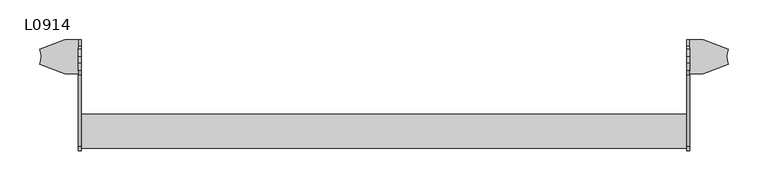
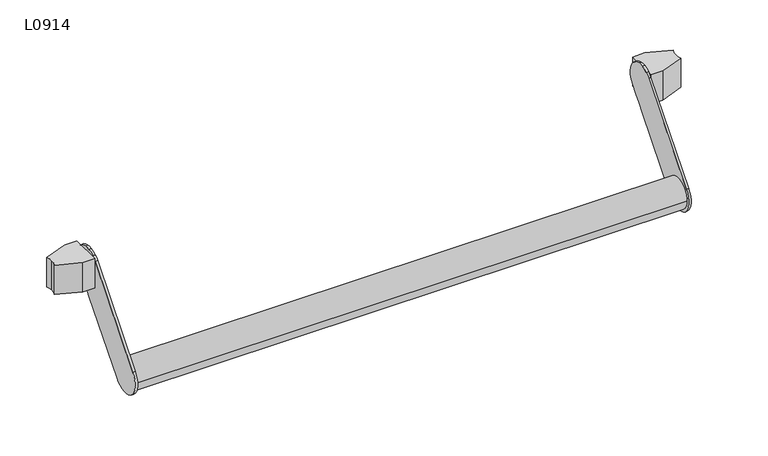
"""IFC4 building model written with IfcOpenShell, lengths in millimetres: proxy geometry, L0914."""

from ifc_helpers import new_model, si_unit, point, frame, frame_2d, origin, place, context, project, spatial, polyline, circle_curve, trimmed, segment, composite_curve, outline, extrude, source, transform, mapped, element, save
from ifc_brep_helpers import plane_surface, cylinder_surface, advanced_brep


def l0914_9f77748c(model_context):
    return source(origin(), model_context, "Body", "SolidModel", [
        extrude(outline(composite_curve([segment(polyline([(841.2841298, -17.9998512), (841.2841298, 25.0001488), (858.3249298, 25.0001488), (890.3669958, 12.8789725)]), True, "CONTINUOUS"), segment(trimmed(circle_curve(frame_2d((912.7841247, 3.5001488)), 24.3), [point((890.3669958, 12.8789725))], [point((888.4841247, 3.5001488))], True, "CARTESIAN"), True, "CONTINUOUS"), segment(trimmed(circle_curve(frame_2d((912.7841247, 3.5001488)), 24.3), [point((888.4841247, 3.5001488))], [point((890.3669958, -5.8786749))], True, "CARTESIAN"), True, "CONTINUOUS"), segment(polyline([(890.3669958, -5.8786749), (858.3249298, -17.9998512), (841.2841298, -17.9998512)]), True, "CONTINUOUS")], self_intersect=False)), frame((0.0, 0.0, -21.5), z_axis=(0.0, 0.0, 1.0), x_axis=(1.0, 0.0, 0.0)), (0.0, 0.0, 1.0), 43.0),
        extrude(outline(composite_curve([segment(polyline([(69.7954674, -17.9998512), (52.7546674, -17.9998512), (20.7126014, -5.8786749)]), True, "CONTINUOUS"), segment(trimmed(circle_curve(frame_2d((-1.7045275, 3.5001488)), 24.3), [point((20.7126014, -5.8786749))], [point((22.5954725, 3.5001488))], True, "CARTESIAN"), True, "CONTINUOUS"), segment(trimmed(circle_curve(frame_2d((-1.7045275, 3.5001488)), 24.3), [point((22.5954725, 3.5001488))], [point((20.7126014, 12.8789725))], True, "CARTESIAN"), True, "CONTINUOUS"), segment(polyline([(20.7126014, 12.8789725), (52.7546674, 25.0001488), (69.7954674, 25.0001488), (69.7954674, -17.9998512)]), True, "CONTINUOUS")], self_intersect=False)), frame((0.0, 0.0, -21.5), z_axis=(0.0, 0.0, 1.0), x_axis=(1.0, 0.0, 0.0)), (0.0, 0.0, 1.0), 43.0),
        advanced_brep(
        [(838.0841023, -71.4170946, -122.0320182), (838.0841023, -109.7540265, -89.9334299), (838.0841023, -19.1532386, 18.0674174), (838.0841023, -13.564759, 23.0001302), (838.0841023, -4.0000184, 26.6780861), (838.0841023, 4.0000533, 26.678085), (838.0841023, 13.5647929, 23.0001265), (838.0841023, 17.5001651, 19.8536704), (838.0841023, 19.1532686, -14.0675085), (838.0841023, 11.6596821, -23.0002552), (838.0841023, 4.0001362, -32.1309487), (838.0841023, -4.000061, -41.6673923), (841.2841298, -71.4170946, -122.0320182), (841.2841298, -4.000061, -41.6673923), (841.2841298, 4.0672955, -32.0506818), (841.2841298, 11.6596821, -23.0002552), (841.2841298, 19.1532686, -14.0675085), (841.2841298, 17.5001651, 19.8536704), (841.2841298, 13.5647929, 23.0001265), (841.2841298, 4.0000533, 26.678085), (841.2841298, -4.0000184, 26.6780861), (841.2841298, -13.564759, 23.0001302), (841.2841298, -19.1532386, 18.0674174), (841.2841298, -109.7540271, -89.9334352)],
        [
            (0, 1, circle_curve(frame((838.0841023, -90.600769, -106.0008883), z_axis=(-1.0, 0.0, 0.0), x_axis=(0.0, 1.0, 0.0)), 25.0002098)),
            (1, 2),
            (2, 3, circle_curve(frame((838.0841023, 1.42e-05, 1.9999535), z_axis=(-1.0, 0.0, 0.0), x_axis=(0.0, 1.0, 0.0)), 25.0002098)),
            (3, 4, circle_curve(frame((838.0841023, 1.42e-05, 1.9999535), z_axis=(-1.0, 0.0, 0.0), x_axis=(0.0, 1.0, 0.0)), 25.0002098)),
            (4, 5, circle_curve(frame((838.0841023, 1.42e-05, 1.9999535), z_axis=(-1.0, 0.0, 0.0), x_axis=(0.0, 1.0, 0.0)), 25.0002098)),
            (5, 6, circle_curve(frame((838.0841023, 1.42e-05, 1.9999535), z_axis=(-1.0, 0.0, 0.0), x_axis=(0.0, 1.0, 0.0)), 25.0002098)),
            (6, 7, circle_curve(frame((838.0841023, 1.42e-05, 1.9999535), z_axis=(-1.0, 0.0, 0.0), x_axis=(0.0, 1.0, 0.0)), 25.0002098)),
            (7, 8, circle_curve(frame((838.0841023, 1.42e-05, 1.9999535), z_axis=(-1.0, 0.0, 0.0), x_axis=(0.0, 1.0, 0.0)), 25.0002098)),
            (8, 9),
            (9, 10),
            (10, 11),
            (11, 0),
            (12, 13),
            (13, 14),
            (14, 15),
            (15, 16),
            (16, 17, circle_curve(frame((841.2841298, 1.42e-05, 1.9999535), z_axis=(1.0, 0.0, 0.0), x_axis=(0.0, 1.0, 0.0)), 25.0002098)),
            (17, 18, circle_curve(frame((841.2841298, 1.42e-05, 1.9999535), z_axis=(1.0, 0.0, 0.0), x_axis=(0.0, 1.0, 0.0)), 25.0002098)),
            (18, 19, circle_curve(frame((841.2841298, 1.42e-05, 1.9999535), z_axis=(1.0, 0.0, 0.0), x_axis=(0.0, 1.0, 0.0)), 25.0002098)),
            (19, 20, circle_curve(frame((841.2841298, 1.42e-05, 1.9999535), z_axis=(1.0, 0.0, 0.0), x_axis=(0.0, 1.0, 0.0)), 25.0002098)),
            (20, 21, circle_curve(frame((841.2841298, 1.42e-05, 1.9999535), z_axis=(1.0, 0.0, 0.0), x_axis=(0.0, 1.0, 0.0)), 25.0002098)),
            (21, 22, circle_curve(frame((841.2841298, 1.42e-05, 1.9999535), z_axis=(1.0, 0.0, 0.0), x_axis=(0.0, 1.0, 0.0)), 25.0002098)),
            (22, 23),
            (23, 12, circle_curve(frame((841.2841298, -90.600769, -106.0008883), z_axis=(1.0, 0.0, 0.0), x_axis=(0.0, 1.0, 0.0)), 25.0002098)),
            (11, 13),
            (12, 0),
            (10, 14),
            (9, 15),
            (8, 16),
            (7, 17),
            (6, 18),
            (5, 19),
            (4, 20),
            (3, 21),
            (2, 22),
            (1, 23),
        ],
        [
            plane_surface(frame((838.0841023, -65.6005592, -106.0008883), z_axis=(-1.0, 0.0, 0.0), x_axis=(0.0, 0.0, -1.0))),
            plane_surface(frame((841.2841298, -65.6005592, -106.0008883), z_axis=(1.0, 0.0, 0.0), x_axis=(0.0, 0.0, 1.0))),
            plane_surface(frame((838.0841023, -4.000061, -41.6673923), z_axis=(0.0, 0.7661237421052067, -0.6426930929944049), x_axis=(1.0, 0.0, 0.0))),
            plane_surface(frame((838.0841023, 4.0672955, -32.0506818), z_axis=(0.0, 0.7661237421052063, -0.6426930929944054), x_axis=(1.0, 0.0, 0.0))),
            plane_surface(frame((838.0841023, 11.6596821, -23.0002552), z_axis=(0.0, 0.76612771316332, -0.6426883592559786), x_axis=(1.0, 0.0, 0.0))),
            plane_surface(frame((838.0841023, 19.1532686, -14.0675085), z_axis=(0.0, 0.7661237488197741, -0.6426930849902898), x_axis=(1.0, 0.0, 0.0))),
            cylinder_surface(frame((841.2841298, 1.42e-05, 1.9999535), z_axis=(-1.0, 0.0, 0.0), x_axis=(0.0, 1.0, 0.0)), 25.0002098),
            plane_surface(frame((838.0841023, -109.7540271, -89.9334352), z_axis=(0.0, -0.7661236823283201, 0.6426931642515699), x_axis=(1.0, 0.0, 0.0))),
            cylinder_surface(frame((841.2841298, -90.600769, -106.0008883), z_axis=(-1.0, 0.0, 0.0), x_axis=(0.0, 1.0, 0.0)), 25.0002098),
        ],
        [
            (0, [[1, 2, 3, 4, 5, 6, 7, 8, 9, 10, 11, 12]]),
            (1, [[13, 14, 15, 16, 17, 18, 19, 20, 21, 22, 23, 24]]),
            (2, [[-12, 25, -13, 26]]),
            (3, [[-11, 27, -14, -25]]),
            (4, [[-10, 28, -15, -27]]),
            (5, [[-9, 29, -16, -28]]),
            (6, [[-8, 30, -17, -29]]),
            (6, [[-7, 31, -18, -30]]),
            (6, [[-6, 32, -19, -31]]),
            (6, [[-5, 33, -20, -32]]),
            (6, [[-4, 34, -21, -33]]),
            (6, [[-3, 35, -22, -34]]),
            (7, [[-2, 36, -23, -35]]),
            (8, [[-1, -26, -24, -36]]),
        ],
    ),
        advanced_brep(
        [(72.9954948, -71.4170946, -122.0320182), (72.9954948, -4.000061, -41.6673923), (72.9954948, 4.0672955, -32.0506818), (72.9954948, 11.6596069, -23.0001922), (72.9954948, 19.1531934, -14.0674454), (72.9954948, 17.5000899, 19.8537334), (72.9954948, 13.5647177, 23.0001896), (72.9954948, 3.9999781, 26.6781481), (72.9954948, -4.0000936, 26.6781492), (72.9954948, -13.5648342, 23.0001932), (72.9954948, -19.1533138, 18.0674805), (72.9954948, -109.7541023, -89.9333721), (69.7954674, -71.4170946, -122.0320182), (69.7954674, -109.7540265, -89.9334299), (69.7954674, -19.1533138, 18.0674805), (69.7954674, -13.5648342, 23.0001932), (69.7954674, -4.0000936, 26.6781492), (69.7954674, 3.9999781, 26.6781481), (69.7954674, 13.5647177, 23.0001896), (69.7954674, 17.5000899, 19.8537334), (69.7954674, 19.1531934, -14.0674454), (69.7954674, 11.6596069, -23.0001922), (69.7954674, 4.000061, -32.1308856), (69.7954674, -4.000061, -41.6673923)],
        [
            (0, 1),
            (1, 2),
            (2, 3),
            (3, 4),
            (4, 5, circle_curve(frame((72.9954948, -6.1e-05, 2.0000166), z_axis=(1.0, 0.0, 0.0), x_axis=(0.0, 1.0, 0.0)), 25.0002098)),
            (5, 6, circle_curve(frame((72.9954948, -6.1e-05, 2.0000166), z_axis=(1.0, 0.0, 0.0), x_axis=(0.0, 1.0, 0.0)), 25.0002098)),
            (6, 7, circle_curve(frame((72.9954948, -6.1e-05, 2.0000166), z_axis=(1.0, 0.0, 0.0), x_axis=(0.0, 1.0, 0.0)), 25.0002098)),
            (7, 8, circle_curve(frame((72.9954948, -6.1e-05, 2.0000166), z_axis=(1.0, 0.0, 0.0), x_axis=(0.0, 1.0, 0.0)), 25.0002098)),
            (8, 9, circle_curve(frame((72.9954948, -6.1e-05, 2.0000166), z_axis=(1.0, 0.0, 0.0), x_axis=(0.0, 1.0, 0.0)), 25.0002098)),
            (9, 10, circle_curve(frame((72.9954948, -6.1e-05, 2.0000166), z_axis=(1.0, 0.0, 0.0), x_axis=(0.0, 1.0, 0.0)), 25.0002098)),
            (10, 11),
            (11, 0, circle_curve(frame((72.9954948, -90.600769, -106.0008883), z_axis=(1.0, 0.0, 0.0), x_axis=(0.0, 1.0, 0.0)), 25.0002098)),
            (12, 13, circle_curve(frame((69.7954674, -90.600769, -106.0008883), z_axis=(-1.0, 0.0, 0.0), x_axis=(0.0, 1.0, 0.0)), 25.0002098)),
            (13, 14),
            (14, 15, circle_curve(frame((69.7954674, -6.1e-05, 2.0000166), z_axis=(-1.0, 0.0, 0.0), x_axis=(0.0, 1.0, 0.0)), 25.0002098)),
            (15, 16, circle_curve(frame((69.7954674, -6.1e-05, 2.0000166), z_axis=(-1.0, 0.0, 0.0), x_axis=(0.0, 1.0, 0.0)), 25.0002098)),
            (16, 17, circle_curve(frame((69.7954674, -6.1e-05, 2.0000166), z_axis=(-1.0, 0.0, 0.0), x_axis=(0.0, 1.0, 0.0)), 25.0002098)),
            (17, 18, circle_curve(frame((69.7954674, -6.1e-05, 2.0000166), z_axis=(-1.0, 0.0, 0.0), x_axis=(0.0, 1.0, 0.0)), 25.0002098)),
            (18, 19, circle_curve(frame((69.7954674, -6.1e-05, 2.0000166), z_axis=(-1.0, 0.0, 0.0), x_axis=(0.0, 1.0, 0.0)), 25.0002098)),
            (19, 20, circle_curve(frame((69.7954674, -6.1e-05, 2.0000166), z_axis=(-1.0, 0.0, 0.0), x_axis=(0.0, 1.0, 0.0)), 25.0002098)),
            (20, 21),
            (21, 22),
            (22, 23),
            (23, 12),
            (0, 12),
            (23, 1),
            (22, 2),
            (21, 3),
            (20, 4),
            (19, 5),
            (18, 6),
            (17, 7),
            (16, 8),
            (15, 9),
            (14, 10),
            (13, 11),
        ],
        [
            plane_surface(frame((72.9954948, -71.4475708, -122.0683475), z_axis=(1.0, 0.0, 0.0), x_axis=(0.0, 0.6426930929944049, 0.7661237421052067))),
            plane_surface(frame((69.7954674, -71.4475708, -122.0683475), z_axis=(-1.0, 0.0, 0.0), x_axis=(0.0, -0.6426930929944049, -0.7661237421052067))),
            plane_surface(frame((72.9954948, -71.4170946, -122.0320182), z_axis=(0.0, 0.7661237421052067, -0.6426930929944049), x_axis=(-1.0, 0.0, 0.0))),
            plane_surface(frame((72.9954948, -4.000061, -41.6673923), z_axis=(0.0, 0.7661237421052066, -0.642693092994405), x_axis=(-1.0, 0.0, 0.0))),
            plane_surface(frame((72.9954948, 4.000061, -32.1308856), z_axis=(0.0, 0.76612771316332, -0.6426883592559786), x_axis=(-1.0, 0.0, 0.0))),
            plane_surface(frame((72.9954948, 11.6596069, -23.0001922), z_axis=(0.0, 0.7661237488197741, -0.6426930849902898), x_axis=(-1.0, 0.0, 0.0))),
            cylinder_surface(frame((69.7954674, -6.1e-05, 2.0000166), z_axis=(1.0, 0.0, 0.0), x_axis=(0.0, 1.0, 0.0)), 25.0002098),
            plane_surface(frame((72.9954948, -19.1533138, 18.0674805), z_axis=(0.0, -0.7661236823284079, 0.6426931642514652), x_axis=(-1.0, 0.0, 0.0))),
            cylinder_surface(frame((69.7954674, -90.600769, -106.0008883), z_axis=(1.0, 0.0, 0.0), x_axis=(0.0, 1.0, 0.0)), 25.0002098),
        ],
        [
            (0, [[1, 2, 3, 4, 5, 6, 7, 8, 9, 10, 11, 12]]),
            (1, [[13, 14, 15, 16, 17, 18, 19, 20, 21, 22, 23, 24]]),
            (2, [[-1, 25, -24, 26]]),
            (3, [[-2, -26, -23, 27]]),
            (4, [[-3, -27, -22, 28]]),
            (5, [[-4, -28, -21, 29]]),
            (6, [[-5, -29, -20, 30]]),
            (6, [[-6, -30, -19, 31]]),
            (6, [[-7, -31, -18, 32]]),
            (6, [[-8, -32, -17, 33]]),
            (6, [[-9, -33, -16, 34]]),
            (6, [[-10, -34, -15, 35]]),
            (7, [[-11, -35, -14, 36]]),
            (8, [[-12, -36, -13, -25]]),
        ],
    ),
        extrude(outline(composite_curve([segment(trimmed(circle_curve(frame_2d((-90.6008005, -106.000888)), 21.35), [point((-111.9508005, -106.000888))], [point((-69.2508005, -106.000888))], False, "CARTESIAN"), True, "CONTINUOUS"), segment(trimmed(circle_curve(frame_2d((-90.6008005, -106.000888)), 21.35), [point((-69.2508005, -106.000888))], [point((-111.9508005, -106.000888))], False, "CARTESIAN"), True, "CONTINUOUS")], self_intersect=False)), frame((72.9954948, 0.0, 0.0), z_axis=(1.0, 0.0, 0.0), x_axis=(0.0, 1.0, 0.0)), (0.0, 0.0, 1.0), 765.0886075),
    ])


if __name__ == "__main__":
    model = new_model("IFC4")
    model_context = context("Model", 3, world=origin())
    ifc_project = project(units=[si_unit("LENGTHUNIT", "METRE", prefix="MILLI")], contexts=[model_context])
    site = spatial("IfcSite", under=ifc_project)
    building = spatial("IfcBuilding", under=site)
    placement = place(None, origin())
    l0914_shape = l0914_9f77748c(model_context)
    element("IfcBuildingElementProxy", 1, Name="L0914", ObjectType="L0914", at=placement, inside=building, context=model_context, shape_type="MappedRepresentation", body=[
        mapped(l0914_shape, transform((0.0, 0.0, 0.0), x_axis=(1.0, 0.0, 0.0), y_axis=(0.0, 1.0, 0.0), z_axis=(0.0, 0.0, 1.0))),
    ])
    save(model, "model.ifc")
